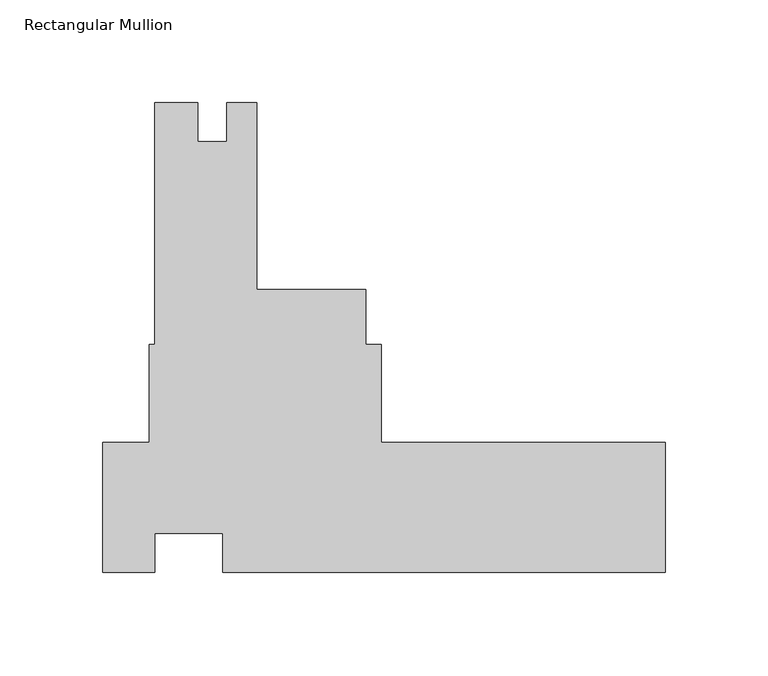
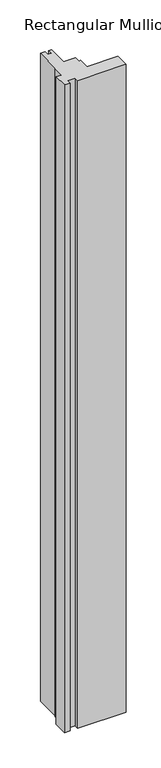
"""IFC4 building model written with IfcOpenShell, lengths in millimetres: member geometry, Rectangular Mullion."""

import ifcopenshell
import ifcopenshell.guid

model = None  # the IFC model being written
_history = None  # IfcOwnerHistory: only IFC2X3 demands one
_inside = {}  # id of a spatial element -> (the spatial element, [elements in it])
_under = {}  # id of a project, library or spatial element -> (it, [spatial elements below it])
_declared = {}  # id of a project -> (the project, [libraries it declares])
_typed = {}  # id of a type object -> (the type object, [elements of that type])
_made_of = {}  # id of a material, layer set ... -> (it, [elements and type objects made of it])


def new_model(schema):
    """Start an empty IFC model of exactly this schema.

    Asked for "IFC4X3", IfcOpenShell would pick the latest addendum, in which some entities
    have other attributes; the version numbers below select the first issue.
    IFC2X3 requires an IfcOwnerHistory on every rooted entity: one is made here for all.
    """
    global model, _history
    if schema == "IFC4X3":
        model = ifcopenshell.file(schema_version=(4, 3, 0, 0))
    else:
        model = ifcopenshell.file(schema=schema)
    _inside.clear()
    _under.clear()
    _declared.clear()
    _typed.clear()
    _made_of.clear()
    _history = None
    if model.schema == "IFC2X3":
        org = make("IfcOrganization", Name="unknown")
        user = make(
            "IfcPersonAndOrganization",
            ThePerson=make("IfcPerson", FamilyName="unknown"),
            TheOrganization=org,
        )
        app = make(
            "IfcApplication",
            ApplicationDeveloper=org,
            Version="unknown",
            ApplicationFullName="unknown",
            ApplicationIdentifier="unknown",
        )
        _history = make(
            "IfcOwnerHistory",
            OwningUser=user,
            OwningApplication=app,
            ChangeAction="ADDED",
            CreationDate=0,
        )
    return model


def make(cls, **values):
    """One entity of the class cls with the attributes given. An attribute that is None is left unset."""
    return model.create_entity(
        cls, **{name: value for name, value in values.items() if value is not None}
    )


def rooted(cls, **values):
    """An entity with a GlobalId (a new one), such as an element, a storey or a relation."""
    return make(cls, GlobalId=ifcopenshell.guid.new(), OwnerHistory=_history, **values)


def si_unit(unit_type, name, prefix=None):
    """IfcSIUnit, for example si_unit("LENGTHUNIT", "METRE", prefix="MILLI")."""
    return make("IfcSIUnit", UnitType=unit_type, Prefix=prefix, Name=name)


def assignment(units):
    """IfcUnitAssignment: the units of a project."""
    return None if units is None else make("IfcUnitAssignment", Units=units)


def point(xyz):
    """IfcCartesianPoint."""
    return None if xyz is None else make("IfcCartesianPoint", Coordinates=xyz)


def direction(xyz):
    """IfcDirection."""
    return None if xyz is None else make("IfcDirection", DirectionRatios=xyz)


def frame(location, z_axis=None, x_axis=None):
    """IfcAxis2Placement3D, a coordinate frame: its origin and axes. An axis left out is left unset."""
    return make(
        "IfcAxis2Placement3D",
        Location=point(location),
        Axis=direction(z_axis),
        RefDirection=direction(x_axis),
    )


def origin():
    """The frame at (0, 0, 0) with its axes left unset."""
    return frame((0.0, 0.0, 0.0))


def place(relative_to, where):
    """IfcLocalPlacement: puts the frame where relative to a parent placement (None: the world)."""
    return make(
        "IfcLocalPlacement", PlacementRelTo=relative_to, RelativePlacement=where
    )


def context(
    kind, dimensions, precision=None, world=None, true_north=None, identifier=None
):
    """IfcGeometricRepresentationContext, for example the 3D "Model" context."""
    return make(
        "IfcGeometricRepresentationContext",
        ContextIdentifier=identifier,
        ContextType=kind,
        CoordinateSpaceDimension=dimensions,
        Precision=precision,
        WorldCoordinateSystem=world,
        TrueNorth=true_north,
    )


def project(units=None, contexts=None):
    """IfcProject with its units and contexts."""
    return rooted(
        "IfcProject",
        Name="project",
        RepresentationContexts=contexts,
        UnitsInContext=assignment(units),
    )


def spatial(cls, under=None, at=None, **own):
    """A site, building, storey or space (cls), placed at a placement, below another one or the project."""
    s = rooted(cls, ObjectPlacement=at, **own)
    if under is not None:
        _under.setdefault(under.id(), (under, []))[1].append(s)
    return s


def polyline(points):
    """IfcPolyline through the points."""
    return make("IfcPolyline", Points=[point(p) for p in points])


def outline(outer, holes=None, kind="AREA"):
    """IfcArbitraryClosedProfileDef: a profile drawn as a closed curve; with holes, ...WithVoids."""
    if holes is None:
        return make("IfcArbitraryClosedProfileDef", ProfileType=kind, OuterCurve=outer)
    return make(
        "IfcArbitraryProfileDefWithVoids",
        ProfileType=kind,
        OuterCurve=outer,
        InnerCurves=holes,
    )


def extrude(swept, where, along, depth):
    """IfcExtrudedAreaSolid: the profile swept, set in the frame where, extruded along a direction by depth."""
    return make(
        "IfcExtrudedAreaSolid",
        SweptArea=swept,
        Position=where,
        ExtrudedDirection=direction(along),
        Depth=depth,
    )


def shape(context_of_items, identifier, shape_type, items):
    """IfcShapeRepresentation: the items that make up one representation, for example the "Body"."""
    return make(
        "IfcShapeRepresentation",
        ContextOfItems=context_of_items,
        RepresentationIdentifier=identifier,
        RepresentationType=shape_type,
        Items=items,
    )


def source(mapping_origin, context_of_items, identifier, shape_type, items):
    """IfcRepresentationMap: a shape defined once, which mapped items show again and again."""
    return make(
        "IfcRepresentationMap",
        MappingOrigin=mapping_origin,
        MappedRepresentation=shape(context_of_items, identifier, shape_type, items),
    )


def transform(
    local_origin,
    x_axis=None,
    y_axis=None,
    z_axis=None,
    scale=None,
    scale2=None,
    scale3=None,
    uniform=True,
):
    """IfcCartesianTransformationOperator3D, or its non-uniform kind. x_axis, y_axis, z_axis: its Axis1, 2, 3."""
    if uniform:
        return make(
            "IfcCartesianTransformationOperator3D",
            Axis1=direction(x_axis),
            Axis2=direction(y_axis),
            LocalOrigin=point(local_origin),
            Scale=scale,
            Axis3=direction(z_axis),
        )
    return make(
        "IfcCartesianTransformationOperator3DnonUniform",
        Axis1=direction(x_axis),
        Axis2=direction(y_axis),
        LocalOrigin=point(local_origin),
        Scale=scale,
        Axis3=direction(z_axis),
        Scale2=scale2,
        Scale3=scale3,
    )


def mapped(mapping_source, mapping_target):
    """IfcMappedItem: shows the shape of a source again, moved by a transform."""
    return make(
        "IfcMappedItem", MappingSource=mapping_source, MappingTarget=mapping_target
    )


def made_of(thing, what):
    """Note that an element or type object is made of a material, layer set ...; save() writes the relation."""
    if what is not None:
        _made_of.setdefault(what.id(), (what, []))[1].append(thing)
    return thing


def element(
    cls,
    number,
    at=None,
    inside=None,
    cuts=None,
    type_object=None,
    material=None,
    context=None,
    identifier="Body",
    shape_type=None,
    held_by="IfcProductDefinitionShape",
    body=None,
    shapes=None,
    **own,
):
    """One element of the class cls, such as IfcWall. Its Tag is "e" and its number.

    at: its placement. inside: the storey or other place that contains it. cuts: it is an
    opening in that element (IfcRelVoidsElement). A single representation is given by context,
    identifier, shape_type and body (its items); several are given by shapes. held_by: the class
    of the entity that holds the representations. save() writes the other relations.
    """
    e = rooted(cls, Tag="e%d" % number, ObjectPlacement=at, **own)
    if body is not None:
        shapes = [shape(context, identifier, shape_type, body)]
    if shapes is not None:
        e.Representation = make(held_by, Representations=shapes)
    if inside is not None:
        _inside.setdefault(inside.id(), (inside, []))[1].append(e)
    if cuts is not None:
        rooted(
            "IfcRelVoidsElement", RelatingBuildingElement=cuts, RelatedOpeningElement=e
        )
    if type_object is not None:
        _typed.setdefault(type_object.id(), (type_object, []))[1].append(e)
    return made_of(e, material)


def aggregate(whole, parts):
    """IfcRelAggregates: a whole, such as a stair, and the parts it consists of."""
    return rooted("IfcRelAggregates", RelatingObject=whole, RelatedObjects=parts)


def save(model, path):
    """Write the relations noted so far, then the file.

    IfcRelAggregates (storeys below a building ...), IfcRelContainedInSpatialStructure (elements
    in a storey), IfcRelDefinesByType, IfcRelAssociatesMaterial and IfcRelDeclares: one each for
    every whole, place, type object, material and project.
    """
    for whole, parts in _under.values():
        aggregate(whole, parts)
    for where, things in _inside.values():
        rooted(
            "IfcRelContainedInSpatialStructure",
            RelatedElements=things,
            RelatingStructure=where,
        )
    for kind, things in _typed.values():
        rooted("IfcRelDefinesByType", RelatedObjects=things, RelatingType=kind)
    for what, things in _made_of.values():
        rooted("IfcRelAssociatesMaterial", RelatedObjects=things, RelatingMaterial=what)
    for by, libraries in _declared.values():
        rooted("IfcRelDeclares", RelatingContext=by, RelatedDefinitions=libraries)
    model.write(path)


def rectangular_mullion_d9f8c7f9(model_context):
    return source(origin(), model_context, "Body", "SweptSolid", [
        extrude(outline(polyline([(-249.2181464, -63.5), (-274.5994, -63.5), (-274.5994, 0.0), (-251.6984162, 0.0), (-251.6984162, 47.625), (-249.1336512, 47.625), (-249.1336512, 165.89375), (-228.2586501, 165.89375), (-228.2586501, 146.8691513), (-213.9419512, 146.8691513), (-213.9419512, 165.8937513), (-199.3496512, 165.8937513), (-199.3496512, 74.5998), (-146.1684012, 74.5998), (-146.1684012, 47.625), (-138.6226962, 47.625), (-138.6226962, 0.0), (0.0, 0.0), (0.0, -63.5), (-215.9060123, -63.5), (-215.9060123, -44.4754), (-249.2181464, -44.4754), (-249.2181464, -63.5)])), frame((0.0, 0.0, -3048.0), z_axis=(0.0, 0.0, 1.0), x_axis=(1.0, 0.0, 0.0)), (0.0, 0.0, 1.0), 3048.0),
    ])


if __name__ == "__main__":
    model = new_model("IFC4")
    model_context = context("Model", 3, world=origin())
    ifc_project = project(units=[si_unit("LENGTHUNIT", "METRE", prefix="MILLI")], contexts=[model_context])
    site = spatial("IfcSite", under=ifc_project)
    building = spatial("IfcBuilding", under=site)
    placement = place(None, origin())
    rectangular_mullion_shape = rectangular_mullion_d9f8c7f9(model_context)
    element("IfcMember", 1, ObjectType="Rectangular Mullion", at=placement, inside=building, context=model_context, shape_type="MappedRepresentation", body=[
        mapped(rectangular_mullion_shape, transform((0.0, 0.0, 0.0), x_axis=(1.0, 0.0, 0.0), y_axis=(0.0, 1.0, 0.0), z_axis=(0.0, 0.0, 1.0))),
    ])
    save(model, "model.ifc")
